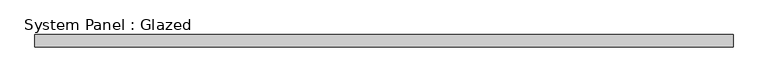
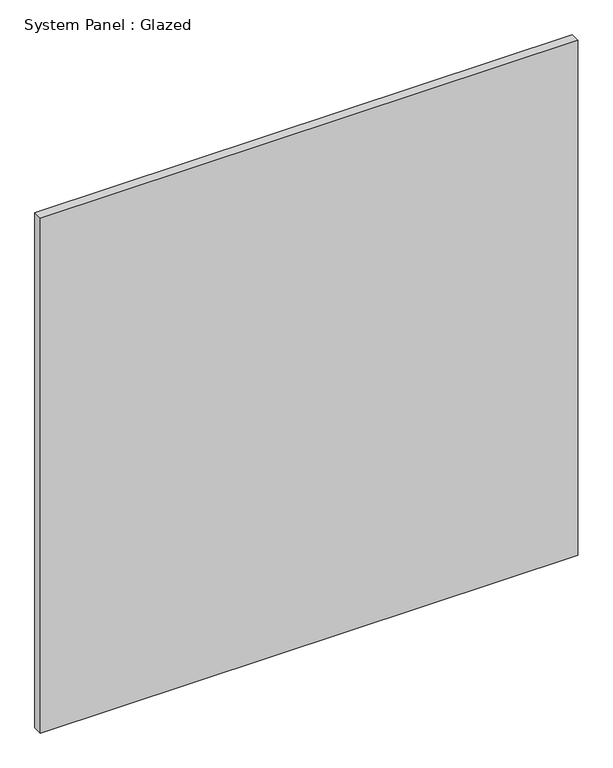
"""IFC4 building model written with IfcOpenShell, lengths in millimetres: plate geometry, System Panel : Glazed."""

from ifc_helpers import new_model, si_unit, origin, origin_with_axes, place, context, project, spatial, polyline, outline, extrude, source, transform, mapped, element, save


def system_panel_glazed_7e528949(model_context):
    return source(origin(), model_context, "Body", "SweptSolid", [
        extrude(outline(polyline([(730.25, -12.7), (-730.25, -12.7), (-730.25, 12.7), (730.25, 12.7), (730.25, -12.7)])), origin_with_axes(), (0.0, 0.0, 1.0), 1479.05),
    ])


if __name__ == "__main__":
    model = new_model("IFC4")
    model_context = context("Model", 3, world=origin())
    ifc_project = project(units=[si_unit("LENGTHUNIT", "METRE", prefix="MILLI")], contexts=[model_context])
    site = spatial("IfcSite", under=ifc_project)
    building = spatial("IfcBuilding", under=site)
    placement = place(None, origin())
    system_panel_glazed_shape = system_panel_glazed_7e528949(model_context)
    element("IfcPlate", 1, ObjectType="System Panel : Glazed", at=placement, inside=building, context=model_context, shape_type="MappedRepresentation", body=[
        mapped(system_panel_glazed_shape, transform((0.0, 0.0, 0.0), x_axis=(1.0, 0.0, 0.0), y_axis=(0.0, 1.0, 0.0), z_axis=(0.0, 0.0, 1.0))),
    ])
    save(model, "model.ifc")
